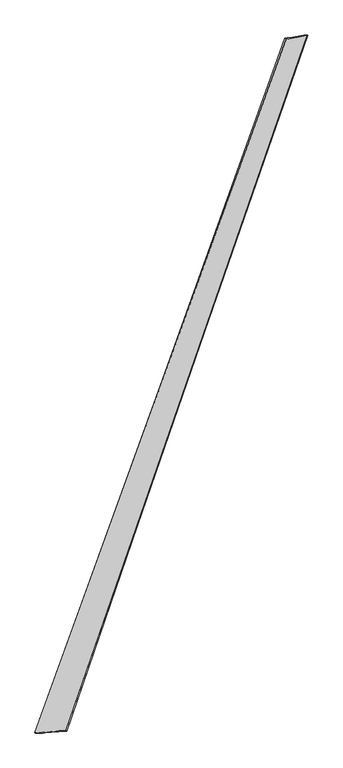
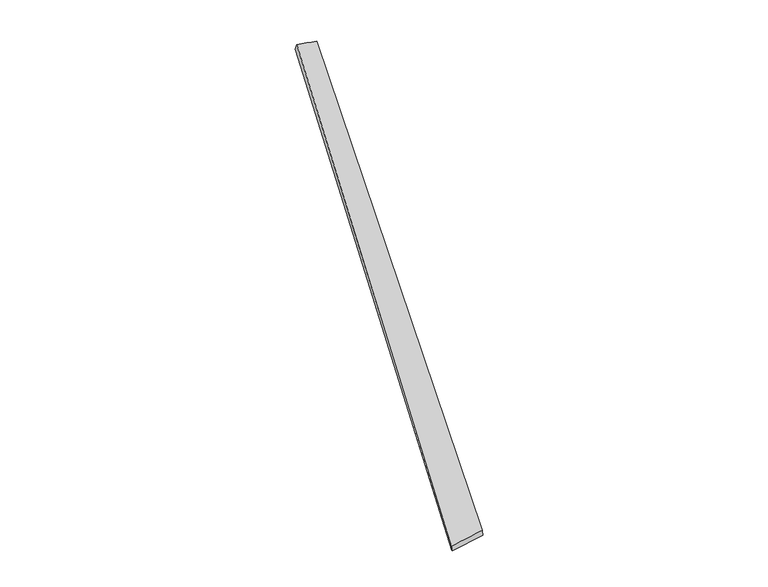
"""IFC4 building model written with IfcOpenShell, lengths in millimetres: proxy geometry."""

from ifc_helpers import new_model, si_unit, origin, place, context, project, spatial, source, transform, mapped, element, save
from ifc_brep_helpers import spline_surface, advanced_brep


def generic_models_77dfd954(model_context):
    return source(origin(), model_context, "Body", "AdvancedBrep", [
        advanced_brep(
        [(-770.5301038, -1952.0095964, -12.8907762), (-774.979948, -1950.6370378, 16.7456029), (768.44138, 2311.913434, 47.6730838), (759.5689003, 2315.3088764, 19.216976), (-584.5229443, -1938.7303883, 42.5437675), (900.3067778, 2334.2070227, 9.4374838), (-580.6952058, -1940.2702069, 12.8288323), (891.6564093, 2336.9709269, -19.155032)],
        [
            (0, 1),
            (1, 2),
            (2, 3),
            (3, 0),
            (1, 4),
            (4, 5),
            (5, 2),
            (4, 6),
            (6, 7),
            (7, 5),
            (6, 0),
            (3, 7),
        ],
        [
            spline_surface(1, 1, [[(-770.5301038, -1952.0095964, -12.8907762), (759.5689003, 2315.3088764, 19.216976)], [(-774.979948, -1950.6370378, 16.7456029), (768.44138, 2311.913434, 47.6730838)]], [2, 2], [2, 2], [0.0, 1.0], [0.0, 1.0]),
            spline_surface(1, 1, [[(-774.979948, -1950.6370378, 16.7456029), (768.44138, 2311.913434, 47.6730838)], [(-584.5229443, -1938.7303883, 42.5437675), (900.3067778, 2334.2070227, 9.4374838)]], [2, 2], [2, 2], [0.0, 1.0], [0.0, 1.0]),
            spline_surface(1, 1, [[(-584.5229443, -1938.7303883, 42.5437675), (900.3067778, 2334.2070227, 9.4374838)], [(-580.6952058, -1940.2702069, 12.8288323), (891.6564093, 2336.9709269, -19.155032)]], [2, 2], [2, 2], [0.0, 1.0], [0.0, 1.0]),
            spline_surface(1, 1, [[(-580.6952058, -1940.2702069, 12.8288323), (891.6564093, 2336.9709269, -19.155032)], [(-770.5301038, -1952.0095964, -12.8907762), (759.5689003, 2315.3088764, 19.216976)]], [2, 2], [2, 2], [0.0, 1.0], [0.0, 1.0]),
            spline_surface(1, 1, [[(768.44138, 2311.913434, 47.6730838), (759.5689003, 2315.3088764, 19.216976)], [(900.3067778, 2334.2070227, 9.4374838), (891.6564093, 2336.9709269, -19.155032)]], [2, 2], [2, 2], [0.0, 1.0], [0.0, 1.0]),
            spline_surface(1, 1, [[(-580.6952058, -1940.2702069, 12.8288323), (-770.5301038, -1952.0095964, -12.8907762)], [(-584.5229443, -1938.7303883, 42.5437675), (-774.979948, -1950.6370378, 16.7456029)]], [2, 2], [2, 2], [0.0, 1.0], [0.0, 1.0]),
        ],
        [
            (0, [[1, 2, 3, 4]]),
            (1, [[5, 6, 7, -2]]),
            (2, [[8, 9, 10, -6]]),
            (3, [[11, -4, 12, -9]]),
            (4, [[-3, -7, -10, -12]]),
            (5, [[-11, -8, -5, -1]]),
        ],
    ),
    ])


if __name__ == "__main__":
    model = new_model("IFC4")
    model_context = context("Model", 3, world=origin())
    ifc_project = project(units=[si_unit("LENGTHUNIT", "METRE", prefix="MILLI")], contexts=[model_context])
    site = spatial("IfcSite", under=ifc_project)
    building = spatial("IfcBuilding", under=site)
    placement = place(None, origin())
    generic_models_shape = generic_models_77dfd954(model_context)
    element("IfcBuildingElementProxy", 1, Name="Generic Models", at=placement, inside=building, context=model_context, shape_type="MappedRepresentation", body=[
        mapped(generic_models_shape, transform((0.0, 0.0, 0.0), x_axis=(1.0, 0.0, 0.0), y_axis=(0.0, 1.0, 0.0), z_axis=(0.0, 0.0, 1.0))),
    ])
    save(model, "model.ifc")
